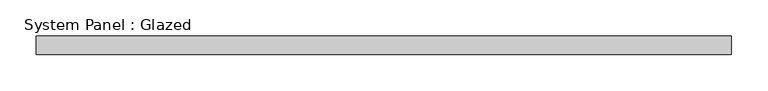
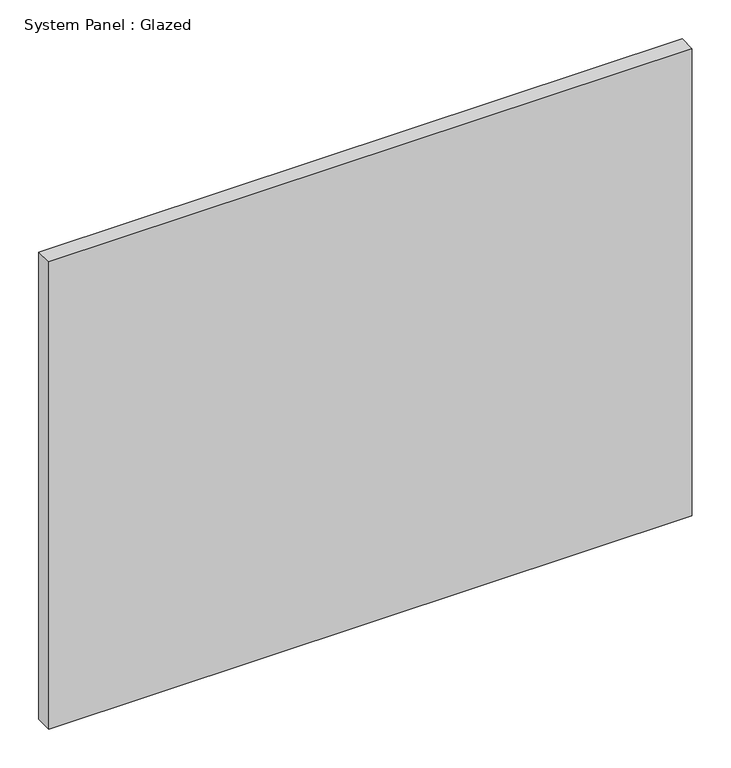
"""IFC4 building model written with IfcOpenShell, lengths in millimetres: plate geometry, System Panel : Glazed."""

import ifcopenshell
import ifcopenshell.guid

model = None  # the IFC model being written
_history = None  # IfcOwnerHistory: only IFC2X3 demands one
_inside = {}  # id of a spatial element -> (the spatial element, [elements in it])
_under = {}  # id of a project, library or spatial element -> (it, [spatial elements below it])
_declared = {}  # id of a project -> (the project, [libraries it declares])
_typed = {}  # id of a type object -> (the type object, [elements of that type])
_made_of = {}  # id of a material, layer set ... -> (it, [elements and type objects made of it])


def new_model(schema):
    """Start an empty IFC model of exactly this schema.

    Asked for "IFC4X3", IfcOpenShell would pick the latest addendum, in which some entities
    have other attributes; the version numbers below select the first issue.
    IFC2X3 requires an IfcOwnerHistory on every rooted entity: one is made here for all.
    """
    global model, _history
    if schema == "IFC4X3":
        model = ifcopenshell.file(schema_version=(4, 3, 0, 0))
    else:
        model = ifcopenshell.file(schema=schema)
    _inside.clear()
    _under.clear()
    _declared.clear()
    _typed.clear()
    _made_of.clear()
    _history = None
    if model.schema == "IFC2X3":
        org = make("IfcOrganization", Name="unknown")
        user = make(
            "IfcPersonAndOrganization",
            ThePerson=make("IfcPerson", FamilyName="unknown"),
            TheOrganization=org,
        )
        app = make(
            "IfcApplication",
            ApplicationDeveloper=org,
            Version="unknown",
            ApplicationFullName="unknown",
            ApplicationIdentifier="unknown",
        )
        _history = make(
            "IfcOwnerHistory",
            OwningUser=user,
            OwningApplication=app,
            ChangeAction="ADDED",
            CreationDate=0,
        )
    return model


def make(cls, **values):
    """One entity of the class cls with the attributes given. An attribute that is None is left unset."""
    return model.create_entity(
        cls, **{name: value for name, value in values.items() if value is not None}
    )


def rooted(cls, **values):
    """An entity with a GlobalId (a new one), such as an element, a storey or a relation."""
    return make(cls, GlobalId=ifcopenshell.guid.new(), OwnerHistory=_history, **values)


def si_unit(unit_type, name, prefix=None):
    """IfcSIUnit, for example si_unit("LENGTHUNIT", "METRE", prefix="MILLI")."""
    return make("IfcSIUnit", UnitType=unit_type, Prefix=prefix, Name=name)


def assignment(units):
    """IfcUnitAssignment: the units of a project."""
    return None if units is None else make("IfcUnitAssignment", Units=units)


def point(xyz):
    """IfcCartesianPoint."""
    return None if xyz is None else make("IfcCartesianPoint", Coordinates=xyz)


def direction(xyz):
    """IfcDirection."""
    return None if xyz is None else make("IfcDirection", DirectionRatios=xyz)


def frame(location, z_axis=None, x_axis=None):
    """IfcAxis2Placement3D, a coordinate frame: its origin and axes. An axis left out is left unset."""
    return make(
        "IfcAxis2Placement3D",
        Location=point(location),
        Axis=direction(z_axis),
        RefDirection=direction(x_axis),
    )


def origin():
    """The frame at (0, 0, 0) with its axes left unset."""
    return frame((0.0, 0.0, 0.0))


def origin_with_axes():
    """The frame at (0, 0, 0) with the z axis (0, 0, 1) and the x axis (1, 0, 0) written out."""
    return frame((0.0, 0.0, 0.0), z_axis=(0.0, 0.0, 1.0), x_axis=(1.0, 0.0, 0.0))


def place(relative_to, where):
    """IfcLocalPlacement: puts the frame where relative to a parent placement (None: the world)."""
    return make(
        "IfcLocalPlacement", PlacementRelTo=relative_to, RelativePlacement=where
    )


def context(
    kind, dimensions, precision=None, world=None, true_north=None, identifier=None
):
    """IfcGeometricRepresentationContext, for example the 3D "Model" context."""
    return make(
        "IfcGeometricRepresentationContext",
        ContextIdentifier=identifier,
        ContextType=kind,
        CoordinateSpaceDimension=dimensions,
        Precision=precision,
        WorldCoordinateSystem=world,
        TrueNorth=true_north,
    )


def project(units=None, contexts=None):
    """IfcProject with its units and contexts."""
    return rooted(
        "IfcProject",
        Name="project",
        RepresentationContexts=contexts,
        UnitsInContext=assignment(units),
    )


def spatial(cls, under=None, at=None, **own):
    """A site, building, storey or space (cls), placed at a placement, below another one or the project."""
    s = rooted(cls, ObjectPlacement=at, **own)
    if under is not None:
        _under.setdefault(under.id(), (under, []))[1].append(s)
    return s


def polyline(points):
    """IfcPolyline through the points."""
    return make("IfcPolyline", Points=[point(p) for p in points])


def outline(outer, holes=None, kind="AREA"):
    """IfcArbitraryClosedProfileDef: a profile drawn as a closed curve; with holes, ...WithVoids."""
    if holes is None:
        return make("IfcArbitraryClosedProfileDef", ProfileType=kind, OuterCurve=outer)
    return make(
        "IfcArbitraryProfileDefWithVoids",
        ProfileType=kind,
        OuterCurve=outer,
        InnerCurves=holes,
    )


def extrude(swept, where, along, depth):
    """IfcExtrudedAreaSolid: the profile swept, set in the frame where, extruded along a direction by depth."""
    return make(
        "IfcExtrudedAreaSolid",
        SweptArea=swept,
        Position=where,
        ExtrudedDirection=direction(along),
        Depth=depth,
    )


def shape(context_of_items, identifier, shape_type, items):
    """IfcShapeRepresentation: the items that make up one representation, for example the "Body"."""
    return make(
        "IfcShapeRepresentation",
        ContextOfItems=context_of_items,
        RepresentationIdentifier=identifier,
        RepresentationType=shape_type,
        Items=items,
    )


def source(mapping_origin, context_of_items, identifier, shape_type, items):
    """IfcRepresentationMap: a shape defined once, which mapped items show again and again."""
    return make(
        "IfcRepresentationMap",
        MappingOrigin=mapping_origin,
        MappedRepresentation=shape(context_of_items, identifier, shape_type, items),
    )


def transform(
    local_origin,
    x_axis=None,
    y_axis=None,
    z_axis=None,
    scale=None,
    scale2=None,
    scale3=None,
    uniform=True,
):
    """IfcCartesianTransformationOperator3D, or its non-uniform kind. x_axis, y_axis, z_axis: its Axis1, 2, 3."""
    if uniform:
        return make(
            "IfcCartesianTransformationOperator3D",
            Axis1=direction(x_axis),
            Axis2=direction(y_axis),
            LocalOrigin=point(local_origin),
            Scale=scale,
            Axis3=direction(z_axis),
        )
    return make(
        "IfcCartesianTransformationOperator3DnonUniform",
        Axis1=direction(x_axis),
        Axis2=direction(y_axis),
        LocalOrigin=point(local_origin),
        Scale=scale,
        Axis3=direction(z_axis),
        Scale2=scale2,
        Scale3=scale3,
    )


def mapped(mapping_source, mapping_target):
    """IfcMappedItem: shows the shape of a source again, moved by a transform."""
    return make(
        "IfcMappedItem", MappingSource=mapping_source, MappingTarget=mapping_target
    )


def made_of(thing, what):
    """Note that an element or type object is made of a material, layer set ...; save() writes the relation."""
    if what is not None:
        _made_of.setdefault(what.id(), (what, []))[1].append(thing)
    return thing


def element(
    cls,
    number,
    at=None,
    inside=None,
    cuts=None,
    type_object=None,
    material=None,
    context=None,
    identifier="Body",
    shape_type=None,
    held_by="IfcProductDefinitionShape",
    body=None,
    shapes=None,
    **own,
):
    """One element of the class cls, such as IfcWall. Its Tag is "e" and its number.

    at: its placement. inside: the storey or other place that contains it. cuts: it is an
    opening in that element (IfcRelVoidsElement). A single representation is given by context,
    identifier, shape_type and body (its items); several are given by shapes. held_by: the class
    of the entity that holds the representations. save() writes the other relations.
    """
    e = rooted(cls, Tag="e%d" % number, ObjectPlacement=at, **own)
    if body is not None:
        shapes = [shape(context, identifier, shape_type, body)]
    if shapes is not None:
        e.Representation = make(held_by, Representations=shapes)
    if inside is not None:
        _inside.setdefault(inside.id(), (inside, []))[1].append(e)
    if cuts is not None:
        rooted(
            "IfcRelVoidsElement", RelatingBuildingElement=cuts, RelatedOpeningElement=e
        )
    if type_object is not None:
        _typed.setdefault(type_object.id(), (type_object, []))[1].append(e)
    return made_of(e, material)


def aggregate(whole, parts):
    """IfcRelAggregates: a whole, such as a stair, and the parts it consists of."""
    return rooted("IfcRelAggregates", RelatingObject=whole, RelatedObjects=parts)


def save(model, path):
    """Write the relations noted so far, then the file.

    IfcRelAggregates (storeys below a building ...), IfcRelContainedInSpatialStructure (elements
    in a storey), IfcRelDefinesByType, IfcRelAssociatesMaterial and IfcRelDeclares: one each for
    every whole, place, type object, material and project.
    """
    for whole, parts in _under.values():
        aggregate(whole, parts)
    for where, things in _inside.values():
        rooted(
            "IfcRelContainedInSpatialStructure",
            RelatedElements=things,
            RelatingStructure=where,
        )
    for kind, things in _typed.values():
        rooted("IfcRelDefinesByType", RelatedObjects=things, RelatingType=kind)
    for what, things in _made_of.values():
        rooted("IfcRelAssociatesMaterial", RelatedObjects=things, RelatingMaterial=what)
    for by, libraries in _declared.values():
        rooted("IfcRelDeclares", RelatingContext=by, RelatedDefinitions=libraries)
    model.write(path)


def system_panel_glazed_04b232f6(model_context):
    return source(origin(), model_context, "Body", "SweptSolid", [
        extrude(outline(polyline([(477.8375, -12.7), (-477.8375, -12.7), (-477.8375, 12.7), (477.8375, 12.7), (477.8375, -12.7)])), origin_with_axes(), (0.0, 0.0, 1.0), 733.425),
    ])


if __name__ == "__main__":
    model = new_model("IFC4")
    model_context = context("Model", 3, world=origin())
    ifc_project = project(units=[si_unit("LENGTHUNIT", "METRE", prefix="MILLI")], contexts=[model_context])
    site = spatial("IfcSite", under=ifc_project)
    building = spatial("IfcBuilding", under=site)
    placement = place(None, origin())
    system_panel_glazed_shape = system_panel_glazed_04b232f6(model_context)
    element("IfcPlate", 1, ObjectType="System Panel : Glazed", at=placement, inside=building, context=model_context, shape_type="MappedRepresentation", body=[
        mapped(system_panel_glazed_shape, transform((0.0, 0.0, 0.0), x_axis=(1.0, 0.0, 0.0), y_axis=(0.0, 1.0, 0.0), z_axis=(0.0, 0.0, 1.0))),
    ])
    save(model, "model.ifc")
